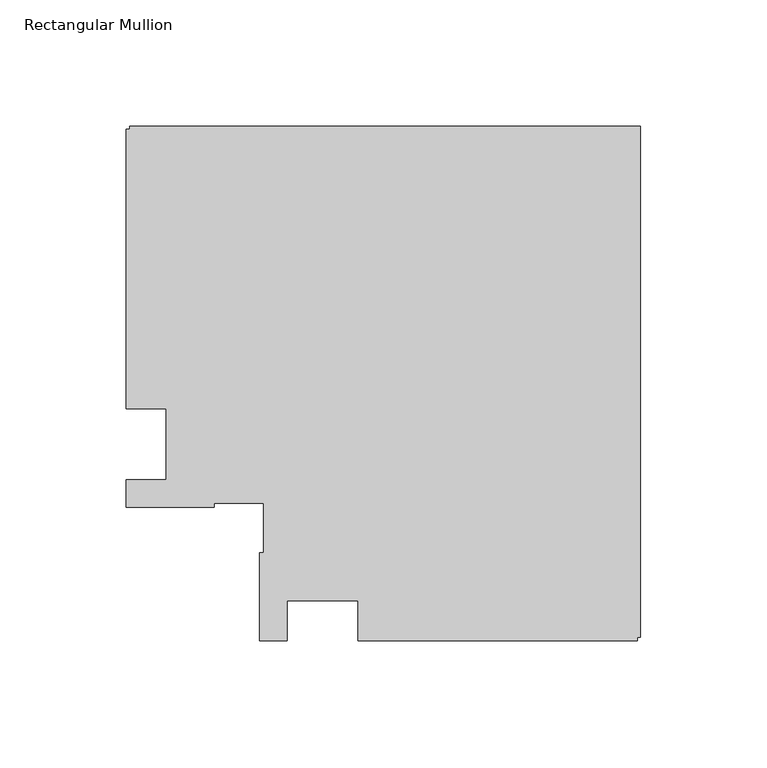
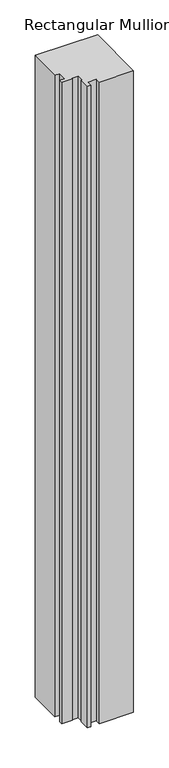
"""IFC4 building model written with IfcOpenShell, lengths in millimetres: member geometry, Rectangular Mullion."""

from ifc_helpers import new_model, si_unit, frame, origin, place, context, project, spatial, polyline, outline, extrude, source, transform, mapped, element, save


def rectangular_mullion_dba0916c(model_context):
    return source(origin(), model_context, "Body", "SweptSolid", [
        extrude(outline(polyline([(-112.2039366, -78.0481273), (-112.2039366, -62.0480986), (-140.2039366, -62.0480986), (-140.2039366, -78.0480986), (-151.2040012, -78.0480986), (-151.2040012, -43.0481011), (-149.5136517, -43.0481011), (-149.5136517, -23.3589699), (-169.2039146, -23.3589699), (-169.2039146, -25.0481206), (-204.2039408, -25.0481206), (-204.2039408, -14.0481206), (-188.2039146, -14.0481206), (-188.2039146, 13.95177), (-204.2039408, 13.95177), (-204.2039408, 124.9518583), (-202.703958, 124.9518583), (-202.703958, 126.155816), (0.0, 126.155816), (0.0, -76.548142), (-1.2039366, -76.548142), (-1.2039366, -78.0481273), (-112.2039366, -78.0481273)])), frame((0.0, 0.0, -2211.2021929), z_axis=(0.0, 0.0, 1.0), x_axis=(1.0, 0.0, 0.0)), (0.0, 0.0, 1.0), 2211.2021929),
    ])


if __name__ == "__main__":
    model = new_model("IFC4")
    model_context = context("Model", 3, world=origin())
    ifc_project = project(units=[si_unit("LENGTHUNIT", "METRE", prefix="MILLI")], contexts=[model_context])
    site = spatial("IfcSite", under=ifc_project)
    building = spatial("IfcBuilding", under=site)
    placement = place(None, origin())
    rectangular_mullion_shape = rectangular_mullion_dba0916c(model_context)
    element("IfcMember", 1, ObjectType="Rectangular Mullion", at=placement, inside=building, context=model_context, shape_type="MappedRepresentation", body=[
        mapped(rectangular_mullion_shape, transform((0.0, 0.0, 0.0), x_axis=(1.0, 0.0, 0.0), y_axis=(0.0, 1.0, 0.0), z_axis=(0.0, 0.0, 1.0))),
    ])
    save(model, "model.ifc")
